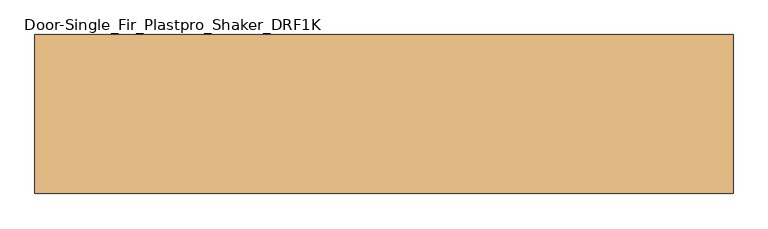
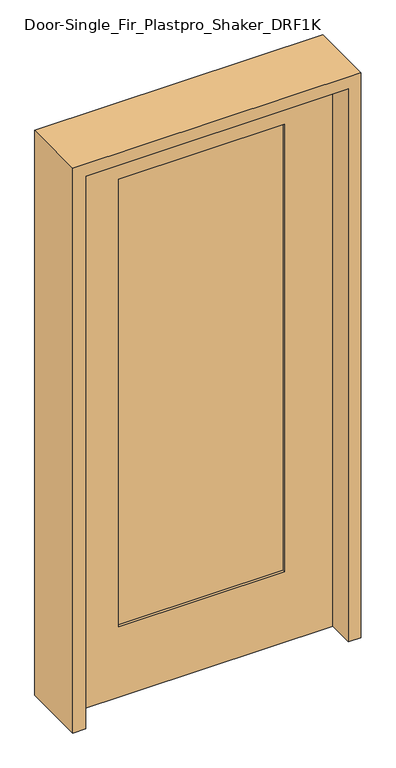
"""IFC4 building model written with IfcOpenShell, lengths in millimetres: door geometry, Door-Single_Fir_Plastpro_Shaker_DRF1K."""

from ifc_helpers import new_model, si_unit, frame, origin, place, context, project, spatial, polyline, outline, extrude, source, transform, mapped, element, save


def door_single_fir_plastpro_shaker_drf1k_a4420663(model_context):
    return source(origin(), model_context, "Body", "SweptSolid", [
        extrude(outline(polyline([(2032.0, 457.2), (2032.0, -457.2), (0.0, -457.2), (0.0, 457.2), (2032.0, 457.2)]), holes=[polyline([(1905.0, -288.925), (1905.0, 288.925), (260.35, 288.925), (260.35, -288.925), (1905.0, -288.925)])]), frame((0.0, -20.6375, 0.0), z_axis=(0.0, 1.0, 0.0), x_axis=(0.0, 0.0, 1.0)), (0.0, 0.0, 1.0), 41.275),
        extrude(outline(polyline([(-288.925, -12.7), (-288.925, 14.2875), (288.925, 14.2875), (288.925, -12.7), (-288.925, -12.7)])), frame((0.0, 0.0, 260.35), z_axis=(0.0, 0.0, 1.0), x_axis=(1.0, 0.0, 0.0)), (0.0, 0.0, 1.0), 1644.65),
        extrude(outline(polyline([(0.0, 457.2), (0.0, 501.65), (2076.45, 501.65), (2076.45, -501.65), (0.0, -501.65), (0.0, -457.2), (2032.0, -457.2), (2032.0, 457.2), (0.0, 457.2)])), frame((0.0, -114.3, 0.0), z_axis=(0.0, 1.0, 0.0), x_axis=(0.0, 0.0, 1.0)), (0.0, 0.0, 1.0), 228.6),
    ])


if __name__ == "__main__":
    model = new_model("IFC4")
    model_context = context("Model", 3, world=origin())
    ifc_project = project(units=[si_unit("LENGTHUNIT", "METRE", prefix="MILLI")], contexts=[model_context])
    site = spatial("IfcSite", under=ifc_project)
    building = spatial("IfcBuilding", under=site)
    placement = place(None, origin())
    door_single_fir_plastpro_shaker_drf1k_shape = door_single_fir_plastpro_shaker_drf1k_a4420663(model_context)
    element("IfcDoor", 1, ObjectType="Door-Single_Fir_Plastpro_Shaker_DRF1K", at=placement, inside=building, context=model_context, shape_type="MappedRepresentation", body=[
        mapped(door_single_fir_plastpro_shaker_drf1k_shape, transform((0.0, 0.0, 0.0), x_axis=(1.0, 0.0, 0.0), y_axis=(0.0, 1.0, 0.0), z_axis=(0.0, 0.0, 1.0))),
    ])
    save(model, "model.ifc")
